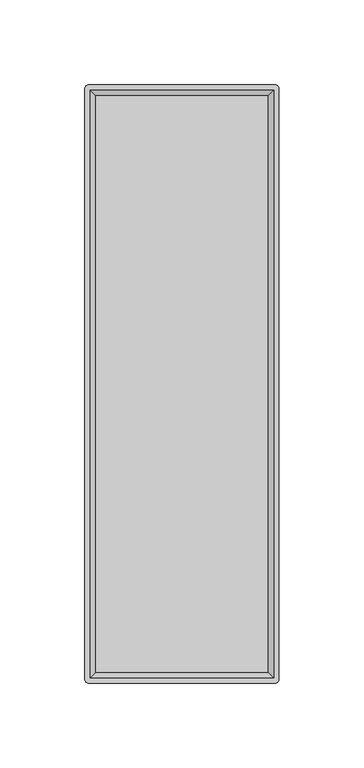
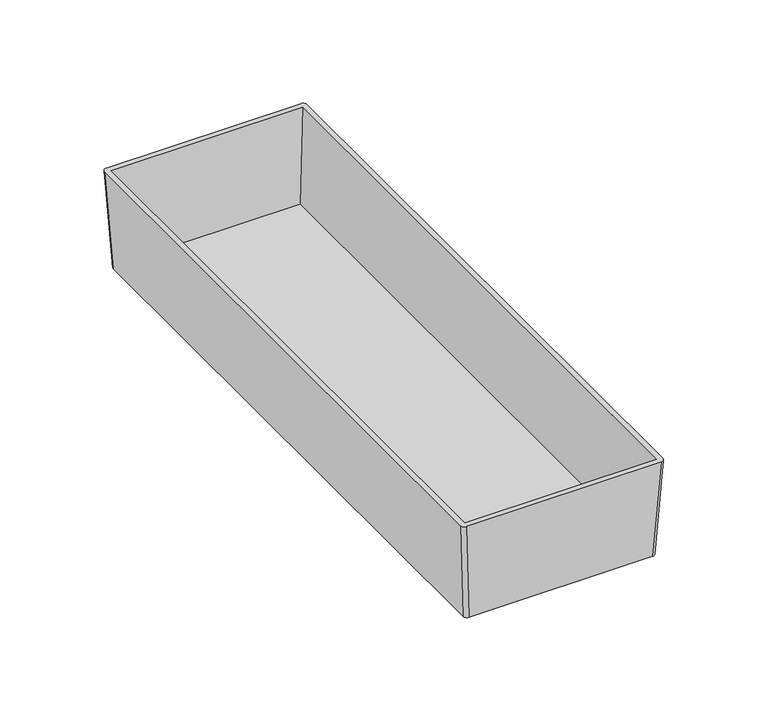
"""IFC4 building model written with IfcOpenShell, lengths in millimetres: furniture geometry."""

from ifc_helpers import new_model, si_unit, point, frame, origin, place, context, project, spatial, circle_curve, trimmed, source, transform, mapped, element, save
from ifc_brep_helpers import plane_surface, extruded_surface, advanced_brep


def furniture_bc3c1b63(model_context):
    return source(origin(), model_context, "Body", "AdvancedBrep", [
        advanced_brep(
        [(51.7525, 173.0375, 246.07266), (53.975, 170.815, 246.07266), (53.975, -170.815, 246.07266), (51.7525, -173.0375, 246.07266), (-51.7525, -173.0375, 246.07266), (-53.975, -170.815, 246.07266), (-53.975, 170.815, 246.07266), (-51.7525, 173.0375, 246.07266), (54.9275, 176.2125, 303.22266), (-54.9275, 176.2125, 303.22266), (-57.15, 173.99, 303.22266), (-57.15, -173.99, 303.22266), (-54.9275, -176.2125, 303.22266), (54.9275, -176.2125, 303.22266), (57.15, -173.99, 303.22266), (57.15, 173.99, 303.22266), (-53.975, 173.0375, 303.22266), (53.975, 173.0375, 303.22266), (53.975, -173.0375, 303.22266), (-53.975, -173.0375, 303.22266), (50.8, 169.8625, 248.61266), (-50.8, 169.8625, 248.61266), (-50.8, -169.8625, 248.61266), (50.8, -169.8625, 248.61266)],
        [
            (0, 1, circle_curve(frame((51.7525, 170.815, 246.07266), z_axis=(0.0, 0.0, -1.0), x_axis=(-1.0, 0.0, 0.0)), 2.2225)),
            (1, 2),
            (2, 3, circle_curve(frame((51.7525, -170.815, 246.07266), z_axis=(0.0, 0.0, -1.0), x_axis=(-1.0, 0.0, 0.0)), 2.2225)),
            (3, 4),
            (4, 5, circle_curve(frame((-51.7525, -170.815, 246.07266), z_axis=(0.0, 0.0, -1.0), x_axis=(-1.0, 0.0, 0.0)), 2.2225)),
            (5, 6),
            (6, 7, circle_curve(frame((-51.7525, 170.815, 246.07266), z_axis=(0.0, 0.0, -1.0), x_axis=(-1.0, 0.0, 0.0)), 2.2225)),
            (7, 0),
            (8, 9),
            (9, 10, circle_curve(frame((-54.9275, 173.99, 303.22266), z_axis=(0.0, 0.0, 1.0), x_axis=(-1.0, 0.0, 0.0)), 2.2225)),
            (10, 11),
            (11, 12, circle_curve(frame((-54.9275, -173.99, 303.22266), z_axis=(0.0, 0.0, 1.0), x_axis=(-1.0, 0.0, 0.0)), 2.2225)),
            (12, 13),
            (13, 14, circle_curve(frame((54.9275, -173.99, 303.22266), z_axis=(0.0, 0.0, 1.0), x_axis=(-1.0, 0.0, 0.0)), 2.2225)),
            (14, 15),
            (15, 8, circle_curve(frame((54.9275, 173.99, 303.22266), z_axis=(0.0, 0.0, 1.0), x_axis=(-1.0, 0.0, 0.0)), 2.2225)),
            (16, 17),
            (17, 18),
            (18, 19),
            (19, 16),
            (7, 9),
            (8, 0),
            (6, 10),
            (5, 11),
            (4, 12),
            (3, 13),
            (2, 14),
            (1, 15),
            (20, 21),
            (21, 22),
            (22, 23),
            (23, 20),
            (20, 17),
            (16, 21),
            (19, 22),
            (18, 23),
        ],
        [
            plane_surface(frame((0.0, 0.0, 246.07266), z_axis=(0.0, 0.0, -1.0), x_axis=(-1.0, 0.0, 0.0))),
            plane_surface(frame((0.0, 0.0, 303.22266), z_axis=(0.0, 0.0, 1.0), x_axis=(-1.0, 0.0, 0.0))),
            plane_surface(frame((0.0, 176.2125, 303.22266), z_axis=(0.0, 0.9984603532054104, -0.05547001962256064), x_axis=(1.0, 0.0, 0.0))),
            extruded_surface(trimmed(circle_curve(frame((-54.9275, 173.99, 303.22266), z_axis=(0.0, 0.0, -1.0), x_axis=(-1.0, 0.0, 0.0)), 2.2225), [point((-57.15, 173.99, 303.22266))], [point((-54.9275, 176.2125, 303.22266))], True, "CARTESIAN"), (3.1750000000000043, -3.1750000000000114, -57.150000000000006), 57.326117520725234),
            plane_surface(frame((-57.15, 0.0, 303.22266), z_axis=(-0.998460353205411, 0.0, -0.05547001962254796), x_axis=(0.0, 1.0, 0.0))),
            extruded_surface(trimmed(circle_curve(frame((-54.9275, -173.99, 303.22266), z_axis=(0.0, 0.0, -1.0), x_axis=(-1.0, 0.0, 0.0)), 2.2225), [point((-54.9275, -176.2125, 303.22266))], [point((-57.15, -173.99, 303.22266))], True, "CARTESIAN"), (3.1750000000000043, 3.1750000000000114, -57.150000000000006), 57.326117520725234),
            plane_surface(frame((0.0, -176.2125, 303.22266), z_axis=(0.0, -0.9984603532055267, -0.05547001962046713), x_axis=(-1.0, 0.0, 0.0))),
            extruded_surface(trimmed(circle_curve(frame((54.9275, -173.99, 303.22266), z_axis=(0.0, 0.0, -1.0), x_axis=(-1.0, 0.0, 0.0)), 2.2225), [point((57.15, -173.99, 303.22266))], [point((54.9275, -176.2125, 303.22266))], True, "CARTESIAN"), (-3.1750000000000043, 3.1750000000000114, -57.150000000000006), 57.326117520725234),
            plane_surface(frame((57.15, 0.0, 303.22266), z_axis=(0.998460353205429, 0.0, -0.055470019622225274), x_axis=(0.0, -1.0, 0.0))),
            extruded_surface(trimmed(circle_curve(frame((54.9275, 173.99, 303.22266), z_axis=(0.0, 0.0, -1.0), x_axis=(-1.0, 0.0, 0.0)), 2.2225), [point((54.9275, 176.2125, 303.22266))], [point((57.15, 173.99, 303.22266))], True, "CARTESIAN"), (-3.1750000000000043, -3.1750000000000114, -57.150000000000006), 57.326117520725234),
            plane_surface(frame((0.0, 0.0, 248.61266), z_axis=(0.0, 0.0, 1.0), x_axis=(-1.0, 0.0, 0.0))),
            plane_surface(frame((0.0, 173.0375, 303.22266), z_axis=(0.0, -0.9983141698791151, 0.05804152150463695), x_axis=(1.0, 0.0, 0.0))),
            plane_surface(frame((-53.975, 0.0, 303.22266), z_axis=(0.9983141698791161, 0.0, 0.058041521504619685), x_axis=(0.0, 1.0, 0.0))),
            plane_surface(frame((0.0, -173.0375, 303.22266), z_axis=(0.0, 0.9983141698789251, 0.0580415215079058), x_axis=(-1.0, 0.0, 0.0))),
            plane_surface(frame((53.975, 0.0, 303.22266), z_axis=(-0.998314169879097, 0.0, 0.058041521504948144), x_axis=(0.0, -1.0, 0.0))),
        ],
        [
            (0, [[1, 2, 3, 4, 5, 6, 7, 8]]),
            (1, [[9, 10, 11, 12, 13, 14, 15, 16], [17, 18, 19, 20]]),
            (2, [[-8, 21, -9, 22]]),
            (3, [[-7, 23, -10, -21]]),
            (4, [[-6, 24, -11, -23]]),
            (5, [[-5, 25, -12, -24]]),
            (6, [[-4, 26, -13, -25]]),
            (7, [[-3, 27, -14, -26]]),
            (8, [[-2, 28, -15, -27]]),
            (9, [[-1, -22, -16, -28]]),
            (10, [[29, 30, 31, 32]]),
            (11, [[-29, 33, -17, 34]]),
            (12, [[-30, -34, -20, 35]]),
            (13, [[-31, -35, -19, 36]]),
            (14, [[-32, -36, -18, -33]]),
        ],
    ),
    ])


if __name__ == "__main__":
    model = new_model("IFC4")
    model_context = context("Model", 3, world=origin())
    ifc_project = project(units=[si_unit("LENGTHUNIT", "METRE", prefix="MILLI")], contexts=[model_context])
    site = spatial("IfcSite", under=ifc_project)
    building = spatial("IfcBuilding", under=site)
    placement = place(None, origin())
    furniture_shape = furniture_bc3c1b63(model_context)
    element("IfcFurniture", 1, at=placement, inside=building, context=model_context, shape_type="MappedRepresentation", body=[
        mapped(furniture_shape, transform((0.0, 0.0, 0.0), x_axis=(1.0, 0.0, 0.0), y_axis=(0.0, 1.0, 0.0), z_axis=(0.0, 0.0, 1.0))),
    ])
    save(model, "model.ifc")
